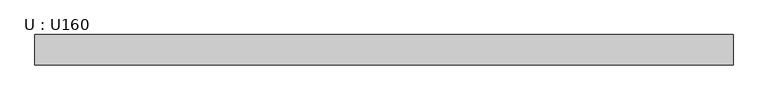
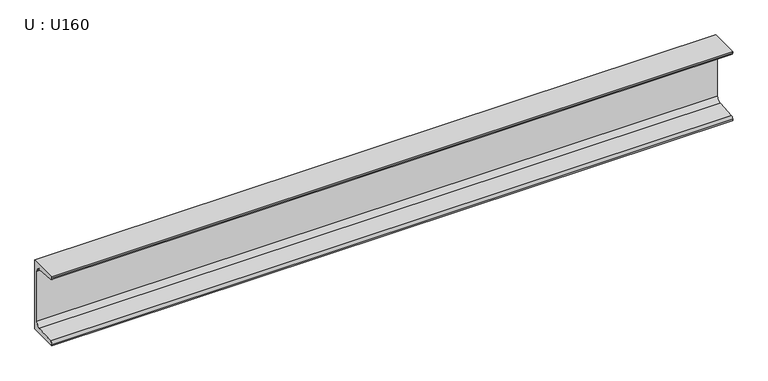
"""IFC4 building model written with IfcOpenShell, lengths in millimetres: beam geometry, U : U160."""

import ifcopenshell
import ifcopenshell.guid

model = None  # the IFC model being written
_history = None  # IfcOwnerHistory: only IFC2X3 demands one
_inside = {}  # id of a spatial element -> (the spatial element, [elements in it])
_under = {}  # id of a project, library or spatial element -> (it, [spatial elements below it])
_declared = {}  # id of a project -> (the project, [libraries it declares])
_typed = {}  # id of a type object -> (the type object, [elements of that type])
_made_of = {}  # id of a material, layer set ... -> (it, [elements and type objects made of it])


def new_model(schema):
    """Start an empty IFC model of exactly this schema.

    Asked for "IFC4X3", IfcOpenShell would pick the latest addendum, in which some entities
    have other attributes; the version numbers below select the first issue.
    IFC2X3 requires an IfcOwnerHistory on every rooted entity: one is made here for all.
    """
    global model, _history
    if schema == "IFC4X3":
        model = ifcopenshell.file(schema_version=(4, 3, 0, 0))
    else:
        model = ifcopenshell.file(schema=schema)
    _inside.clear()
    _under.clear()
    _declared.clear()
    _typed.clear()
    _made_of.clear()
    _history = None
    if model.schema == "IFC2X3":
        org = make("IfcOrganization", Name="unknown")
        user = make(
            "IfcPersonAndOrganization",
            ThePerson=make("IfcPerson", FamilyName="unknown"),
            TheOrganization=org,
        )
        app = make(
            "IfcApplication",
            ApplicationDeveloper=org,
            Version="unknown",
            ApplicationFullName="unknown",
            ApplicationIdentifier="unknown",
        )
        _history = make(
            "IfcOwnerHistory",
            OwningUser=user,
            OwningApplication=app,
            ChangeAction="ADDED",
            CreationDate=0,
        )
    return model


def make(cls, **values):
    """One entity of the class cls with the attributes given. An attribute that is None is left unset."""
    return model.create_entity(
        cls, **{name: value for name, value in values.items() if value is not None}
    )


def rooted(cls, **values):
    """An entity with a GlobalId (a new one), such as an element, a storey or a relation."""
    return make(cls, GlobalId=ifcopenshell.guid.new(), OwnerHistory=_history, **values)


def si_unit(unit_type, name, prefix=None):
    """IfcSIUnit, for example si_unit("LENGTHUNIT", "METRE", prefix="MILLI")."""
    return make("IfcSIUnit", UnitType=unit_type, Prefix=prefix, Name=name)


def assignment(units):
    """IfcUnitAssignment: the units of a project."""
    return None if units is None else make("IfcUnitAssignment", Units=units)


def point(xyz):
    """IfcCartesianPoint."""
    return None if xyz is None else make("IfcCartesianPoint", Coordinates=xyz)


def direction(xyz):
    """IfcDirection."""
    return None if xyz is None else make("IfcDirection", DirectionRatios=xyz)


def frame(location, z_axis=None, x_axis=None):
    """IfcAxis2Placement3D, a coordinate frame: its origin and axes. An axis left out is left unset."""
    return make(
        "IfcAxis2Placement3D",
        Location=point(location),
        Axis=direction(z_axis),
        RefDirection=direction(x_axis),
    )


def frame_2d(location, x_axis=None):
    """IfcAxis2Placement2D, a coordinate frame in the plane: its origin and x axis."""
    return make(
        "IfcAxis2Placement2D", Location=point(location), RefDirection=direction(x_axis)
    )


def origin():
    """The frame at (0, 0, 0) with its axes left unset."""
    return frame((0.0, 0.0, 0.0))


def place(relative_to, where):
    """IfcLocalPlacement: puts the frame where relative to a parent placement (None: the world)."""
    return make(
        "IfcLocalPlacement", PlacementRelTo=relative_to, RelativePlacement=where
    )


def context(
    kind, dimensions, precision=None, world=None, true_north=None, identifier=None
):
    """IfcGeometricRepresentationContext, for example the 3D "Model" context."""
    return make(
        "IfcGeometricRepresentationContext",
        ContextIdentifier=identifier,
        ContextType=kind,
        CoordinateSpaceDimension=dimensions,
        Precision=precision,
        WorldCoordinateSystem=world,
        TrueNorth=true_north,
    )


def project(units=None, contexts=None):
    """IfcProject with its units and contexts."""
    return rooted(
        "IfcProject",
        Name="project",
        RepresentationContexts=contexts,
        UnitsInContext=assignment(units),
    )


def spatial(cls, under=None, at=None, **own):
    """A site, building, storey or space (cls), placed at a placement, below another one or the project."""
    s = rooted(cls, ObjectPlacement=at, **own)
    if under is not None:
        _under.setdefault(under.id(), (under, []))[1].append(s)
    return s


def polyline(points):
    """IfcPolyline through the points."""
    return make("IfcPolyline", Points=[point(p) for p in points])


def circle_curve(where, radius):
    """IfcCircle in the frame where."""
    return make("IfcCircle", Position=where, Radius=radius)


def trimmed(basis, trim1, trim2, sense, master):
    """IfcTrimmedCurve: the piece of a basis curve between two trims."""
    return make(
        "IfcTrimmedCurve",
        BasisCurve=basis,
        Trim1=trim1,
        Trim2=trim2,
        SenseAgreement=sense,
        MasterRepresentation=master,
    )


def segment(curve, same_sense, transition):
    """IfcCompositeCurveSegment."""
    return make(
        "IfcCompositeCurveSegment",
        Transition=transition,
        SameSense=same_sense,
        ParentCurve=curve,
    )


def composite_curve(segments, self_intersect=None):
    """IfcCompositeCurve: segments joined end to end."""
    return make("IfcCompositeCurve", Segments=segments, SelfIntersect=self_intersect)


def outline(outer, holes=None, kind="AREA"):
    """IfcArbitraryClosedProfileDef: a profile drawn as a closed curve; with holes, ...WithVoids."""
    if holes is None:
        return make("IfcArbitraryClosedProfileDef", ProfileType=kind, OuterCurve=outer)
    return make(
        "IfcArbitraryProfileDefWithVoids",
        ProfileType=kind,
        OuterCurve=outer,
        InnerCurves=holes,
    )


def extrude(swept, where, along, depth):
    """IfcExtrudedAreaSolid: the profile swept, set in the frame where, extruded along a direction by depth."""
    return make(
        "IfcExtrudedAreaSolid",
        SweptArea=swept,
        Position=where,
        ExtrudedDirection=direction(along),
        Depth=depth,
    )


def shape(context_of_items, identifier, shape_type, items):
    """IfcShapeRepresentation: the items that make up one representation, for example the "Body"."""
    return make(
        "IfcShapeRepresentation",
        ContextOfItems=context_of_items,
        RepresentationIdentifier=identifier,
        RepresentationType=shape_type,
        Items=items,
    )


def source(mapping_origin, context_of_items, identifier, shape_type, items):
    """IfcRepresentationMap: a shape defined once, which mapped items show again and again."""
    return make(
        "IfcRepresentationMap",
        MappingOrigin=mapping_origin,
        MappedRepresentation=shape(context_of_items, identifier, shape_type, items),
    )


def transform(
    local_origin,
    x_axis=None,
    y_axis=None,
    z_axis=None,
    scale=None,
    scale2=None,
    scale3=None,
    uniform=True,
):
    """IfcCartesianTransformationOperator3D, or its non-uniform kind. x_axis, y_axis, z_axis: its Axis1, 2, 3."""
    if uniform:
        return make(
            "IfcCartesianTransformationOperator3D",
            Axis1=direction(x_axis),
            Axis2=direction(y_axis),
            LocalOrigin=point(local_origin),
            Scale=scale,
            Axis3=direction(z_axis),
        )
    return make(
        "IfcCartesianTransformationOperator3DnonUniform",
        Axis1=direction(x_axis),
        Axis2=direction(y_axis),
        LocalOrigin=point(local_origin),
        Scale=scale,
        Axis3=direction(z_axis),
        Scale2=scale2,
        Scale3=scale3,
    )


def mapped(mapping_source, mapping_target):
    """IfcMappedItem: shows the shape of a source again, moved by a transform."""
    return make(
        "IfcMappedItem", MappingSource=mapping_source, MappingTarget=mapping_target
    )


def made_of(thing, what):
    """Note that an element or type object is made of a material, layer set ...; save() writes the relation."""
    if what is not None:
        _made_of.setdefault(what.id(), (what, []))[1].append(thing)
    return thing


def element(
    cls,
    number,
    at=None,
    inside=None,
    cuts=None,
    type_object=None,
    material=None,
    context=None,
    identifier="Body",
    shape_type=None,
    held_by="IfcProductDefinitionShape",
    body=None,
    shapes=None,
    **own,
):
    """One element of the class cls, such as IfcWall. Its Tag is "e" and its number.

    at: its placement. inside: the storey or other place that contains it. cuts: it is an
    opening in that element (IfcRelVoidsElement). A single representation is given by context,
    identifier, shape_type and body (its items); several are given by shapes. held_by: the class
    of the entity that holds the representations. save() writes the other relations.
    """
    e = rooted(cls, Tag="e%d" % number, ObjectPlacement=at, **own)
    if body is not None:
        shapes = [shape(context, identifier, shape_type, body)]
    if shapes is not None:
        e.Representation = make(held_by, Representations=shapes)
    if inside is not None:
        _inside.setdefault(inside.id(), (inside, []))[1].append(e)
    if cuts is not None:
        rooted(
            "IfcRelVoidsElement", RelatingBuildingElement=cuts, RelatedOpeningElement=e
        )
    if type_object is not None:
        _typed.setdefault(type_object.id(), (type_object, []))[1].append(e)
    return made_of(e, material)


def aggregate(whole, parts):
    """IfcRelAggregates: a whole, such as a stair, and the parts it consists of."""
    return rooted("IfcRelAggregates", RelatingObject=whole, RelatedObjects=parts)


def save(model, path):
    """Write the relations noted so far, then the file.

    IfcRelAggregates (storeys below a building ...), IfcRelContainedInSpatialStructure (elements
    in a storey), IfcRelDefinesByType, IfcRelAssociatesMaterial and IfcRelDeclares: one each for
    every whole, place, type object, material and project.
    """
    for whole, parts in _under.values():
        aggregate(whole, parts)
    for where, things in _inside.values():
        rooted(
            "IfcRelContainedInSpatialStructure",
            RelatedElements=things,
            RelatingStructure=where,
        )
    for kind, things in _typed.values():
        rooted("IfcRelDefinesByType", RelatedObjects=things, RelatingType=kind)
    for what, things in _made_of.values():
        rooted("IfcRelAssociatesMaterial", RelatedObjects=things, RelatingMaterial=what)
    for by, libraries in _declared.values():
        rooted("IfcRelDeclares", RelatingContext=by, RelatedDefinitions=libraries)
    model.write(path)


def u_u160_bed59eb6(model_context):
    return source(origin(), model_context, "Body", "SweptSolid", [
        extrude(outline(composite_curve([segment(polyline([(18.4, 80.0), (18.4, -80.0), (-46.6, -80.0), (-46.6, -77.1756821)]), True, "CONTINUOUS"), segment(trimmed(circle_curve(frame_2d((-41.1, -77.1756821)), 5.5), [point((-46.6, -77.1756821))], [point((-41.5382235, -71.693168))], False, "CARTESIAN"), True, "CONTINUOUS"), segment(polyline([(-41.5382235, -71.693168), (1.2366085, -68.2741277)]), True, "CONTINUOUS"), segment(trimmed(circle_curve(frame_2d((0.4, -57.8075099)), 10.5), [point((1.2366085, -68.2741277))], [point((10.9, -57.8075099))], True, "CARTESIAN"), True, "CONTINUOUS"), segment(polyline([(10.9, -57.8075099), (10.9, 57.8075099)]), True, "CONTINUOUS"), segment(trimmed(circle_curve(frame_2d((0.4, 57.8075099)), 10.5), [point((10.9, 57.8075099))], [point((1.2366085, 68.2741277))], True, "CARTESIAN"), True, "CONTINUOUS"), segment(polyline([(1.2366085, 68.2741277), (-41.5382235, 71.693168)]), True, "CONTINUOUS"), segment(trimmed(circle_curve(frame_2d((-41.1, 77.1756821)), 5.5), [point((-41.5382235, 71.693168))], [point((-46.6, 77.1756821))], False, "CARTESIAN"), True, "CONTINUOUS"), segment(polyline([(-46.6, 77.1756821), (-46.6, 80.0), (18.4, 80.0)]), True, "CONTINUOUS")], self_intersect=False)), frame((-798.9999968, 0.0, 0.0), z_axis=(1.0, 0.0, 0.0), x_axis=(0.0, 1.0, 0.0)), (0.0, 0.0, 1.0), 1497.9999939),
    ])


if __name__ == "__main__":
    model = new_model("IFC4")
    model_context = context("Model", 3, world=origin())
    ifc_project = project(units=[si_unit("LENGTHUNIT", "METRE", prefix="MILLI")], contexts=[model_context])
    site = spatial("IfcSite", under=ifc_project)
    building = spatial("IfcBuilding", under=site)
    placement = place(None, origin())
    u_u160_shape = u_u160_bed59eb6(model_context)
    element("IfcBeam", 1, ObjectType="U : U160", at=placement, inside=building, context=model_context, shape_type="MappedRepresentation", body=[
        mapped(u_u160_shape, transform((0.0, 0.0, 0.0), x_axis=(1.0, 0.0, 0.0), y_axis=(0.0, 1.0, 0.0), z_axis=(0.0, 0.0, 1.0))),
    ])
    save(model, "model.ifc")
